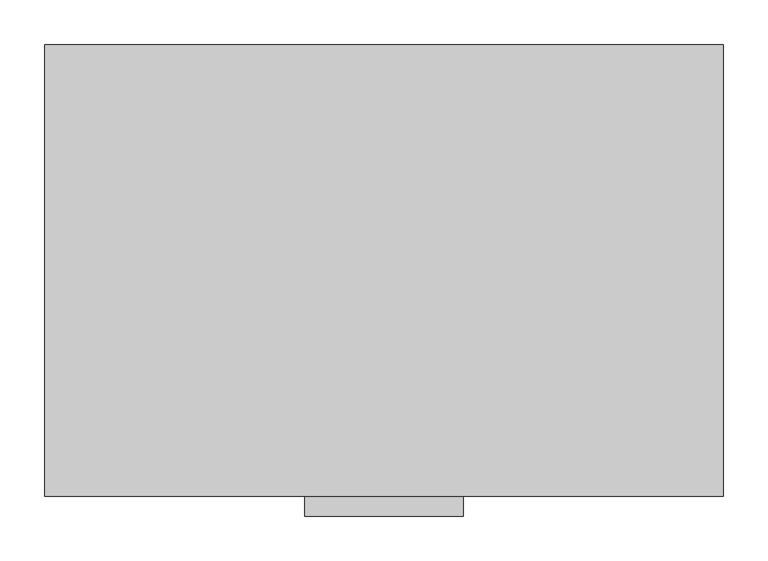
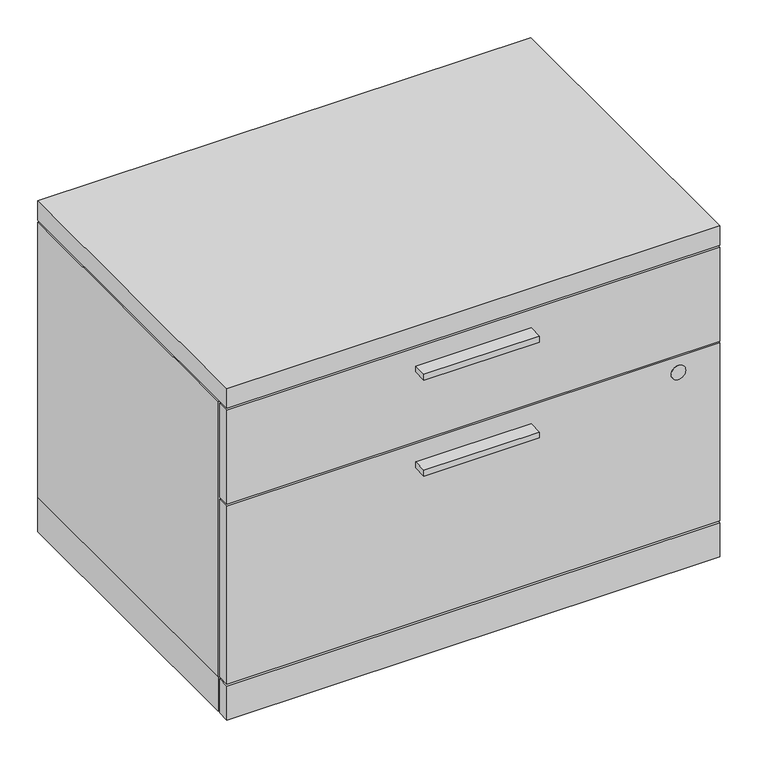
"""IFC4 building model written with IfcOpenShell, lengths in millimetres: furniture geometry."""

from ifc_helpers import new_model, si_unit, point, frame, frame_2d, origin, origin_with_axes, place, context, project, spatial, polyline, circle_curve, trimmed, segment, composite_curve, outline, extrude, source, transform, mapped, element, save


def furniture_a93445f3(model_context):
    return source(origin(), model_context, "Body", "SweptSolid", [
        extrude(outline(polyline([(469.9, -528.574), (292.1, -528.574), (292.1, -506.349), (469.9, -506.349), (469.9, -528.574)])), frame((0.0, 0.0, 312.1914), z_axis=(0.0, 0.0, 1.0), x_axis=(1.0, 0.0, 0.0)), (0.0, 0.0, 1.0), 9.525),
        extrude(outline(polyline([(469.9, -528.574), (292.1, -528.574), (292.1, -506.349), (469.9, -506.349), (469.9, -528.574)])), frame((0.0, 0.0, 468.1474), z_axis=(0.0, 0.0, 1.0), x_axis=(1.0, 0.0, 0.0)), (0.0, 0.0, 1.0), 9.525),
        extrude(outline(polyline([(760.4125, -1.524), (760.4125, -483.235), (1.5875, -483.235), (1.5875, -1.524), (760.4125, -1.524)])), frame((0.0, 0.0, 3.5814), z_axis=(0.0, 0.0, 1.0), x_axis=(1.0, 0.0, 0.0)), (0.0, 0.0, 1.0), 55.1688),
        extrude(outline(composite_curve([segment(trimmed(circle_curve(frame_2d((326.0344, 696.3283)), 11.176), [point((326.0344, 707.5043))], [point((326.0344, 685.1523))], False, "CARTESIAN"), True, "CONTINUOUS"), segment(trimmed(circle_curve(frame_2d((326.0344, 696.3283)), 11.176), [point((326.0344, 685.1523))], [point((326.0344, 707.5043))], False, "CARTESIAN"), True, "CONTINUOUS")], self_intersect=False)), frame((0.0, -506.603, 0.0), z_axis=(0.0, 1.0, 0.0), x_axis=(0.0, 0.0, 1.0)), (0.0, 0.0, 1.0), 4.69392),
        extrude(outline(polyline([(760.4125, -487.045), (760.4125, -506.349), (1.5875, -506.349), (1.5875, -487.045), (760.4125, -487.045)])), frame((0.0, 0.0, 61.9252), z_axis=(0.0, 0.0, 1.0), x_axis=(1.0, 0.0, 0.0)), (0.0, 0.0, 1.0), 289.5092),
        extrude(outline(polyline([(760.4125, -487.045), (760.4125, -506.349), (1.5875, -506.349), (1.5875, -487.045), (760.4125, -487.045)])), frame((0.0, 0.0, 354.6094), z_axis=(0.0, 0.0, 1.0), x_axis=(1.0, 0.0, 0.0)), (0.0, 0.0, 1.0), 152.781),
        extrude(outline(polyline([(760.4125, -487.045), (760.4125, -506.349), (1.5875, -506.349), (1.5875, -487.045), (760.4125, -487.045)])), frame((0.0, 0.0, 3.5814), z_axis=(0.0, 0.0, 1.0), x_axis=(1.0, 0.0, 0.0)), (0.0, 0.0, 1.0), 55.1688),
        extrude(outline(polyline([(46.1772, -27.7114), (61.8363, -36.7521856), (61.8363, -54.8337568), (46.1772, -63.8745424), (30.5181, -54.8337568), (30.5181, -36.7521856), (46.1772, -27.7114)])), origin_with_axes(), (0.0, 0.0, 1.0), 8.4328),
        extrude(outline(polyline([(46.1772, -480.1616), (30.5181, -471.1208144), (30.5181, -453.0392432), (46.1772, -443.9984576), (61.8363, -453.0392432), (61.8363, -471.1208144), (46.1772, -480.1616)])), origin_with_axes(), (0.0, 0.0, 1.0), 8.4328),
        extrude(outline(polyline([(715.8228, -27.7114), (731.4819, -36.7521856), (731.4819, -54.8337568), (715.8228, -63.8745424), (700.1637, -54.8337568), (700.1637, -36.7521856), (715.8228, -27.7114)])), origin_with_axes(), (0.0, 0.0, 1.0), 8.4328),
        extrude(outline(polyline([(715.8228, -480.1616), (700.1637, -471.1208144), (700.1637, -453.0392432), (715.8228, -443.9984576), (731.4819, -453.0392432), (731.4819, -471.1208144), (715.8228, -480.1616)])), origin_with_axes(), (0.0, 0.0, 1.0), 8.4328),
        extrude(outline(polyline([(760.4125, -506.349), (1.5875, -506.349), (1.5875, -1.524), (760.4125, -1.524), (760.4125, -506.349)])), frame((0.0, 0.0, 510.5654), z_axis=(0.0, 0.0, 1.0), x_axis=(1.0, 0.0, 0.0)), (0.0, 0.0, 1.0), 31.75),
        extrude(outline(polyline([(760.4125, -483.2858), (1.5875, -483.2858), (1.5875, -1.524), (760.4125, -1.524), (760.4125, -483.2858)])), frame((0.0, 0.0, 58.7502), z_axis=(0.0, 0.0, 1.0), x_axis=(1.0, 0.0, 0.0)), (0.0, 0.0, 1.0), 448.6402),
    ])


if __name__ == "__main__":
    model = new_model("IFC4")
    model_context = context("Model", 3, world=origin())
    ifc_project = project(units=[si_unit("LENGTHUNIT", "METRE", prefix="MILLI")], contexts=[model_context])
    site = spatial("IfcSite", under=ifc_project)
    building = spatial("IfcBuilding", under=site)
    placement = place(None, origin())
    furniture_shape = furniture_a93445f3(model_context)
    element("IfcFurniture", 1, at=placement, inside=building, context=model_context, shape_type="MappedRepresentation", body=[
        mapped(furniture_shape, transform((0.0, 0.0, 0.0), x_axis=(1.0, 0.0, 0.0), y_axis=(0.0, 1.0, 0.0), z_axis=(0.0, 0.0, 1.0))),
    ])
    save(model, "model.ifc")
